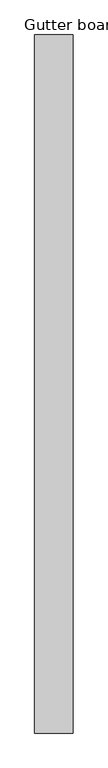
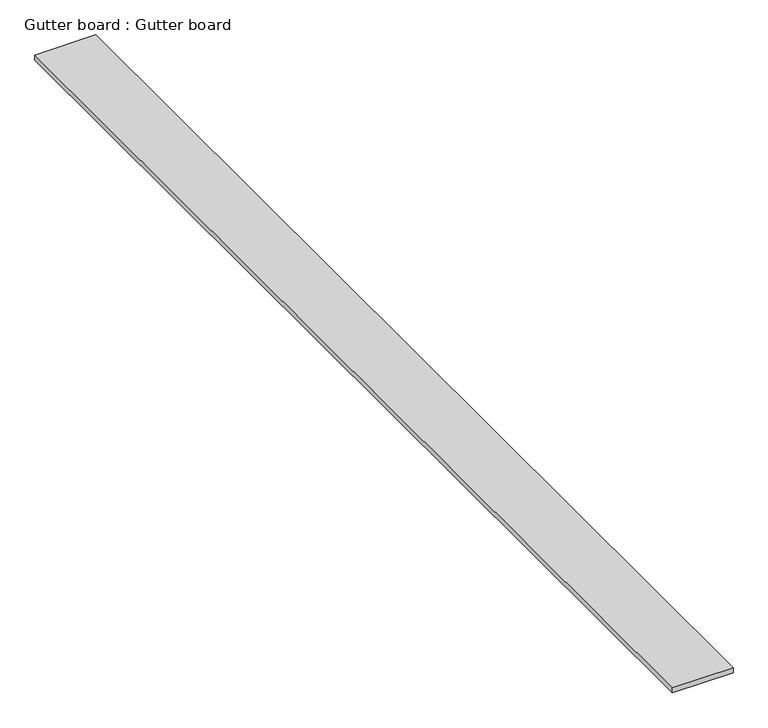
"""IFC4 building model written with IfcOpenShell, lengths in millimetres: proxy geometry, Gutter board : Gutter board."""

from ifc_helpers import new_model, si_unit, frame, origin, place, context, project, spatial, polyline, outline, extrude, source, transform, mapped, element, save


def gutter_board_gutter_board_3a1a2b82(model_context):
    return source(origin(), model_context, "Body", "SweptSolid", [
        extrude(outline(polyline([(-11600.8421646, -1339.0060744), (-11770.8421646, -1339.0060744), (-11770.8421646, 1750.9939256), (-11600.8421646, 1750.9939256), (-11600.8421646, -1339.0060744)])), frame((0.0, 0.0, 3784.2452806), z_axis=(0.0, 0.0, 1.0), x_axis=(1.0, 0.0, 0.0)), (0.0, 0.0, 1.0), 15.0),
    ])


if __name__ == "__main__":
    model = new_model("IFC4")
    model_context = context("Model", 3, world=origin())
    ifc_project = project(units=[si_unit("LENGTHUNIT", "METRE", prefix="MILLI")], contexts=[model_context])
    site = spatial("IfcSite", under=ifc_project)
    building = spatial("IfcBuilding", under=site)
    placement = place(None, origin())
    gutter_board_gutter_board_shape = gutter_board_gutter_board_3a1a2b82(model_context)
    element("IfcBuildingElementProxy", 1, Name="Gutter board : Gutter board", ObjectType="Gutter board : Gutter board", at=placement, inside=building, context=model_context, shape_type="MappedRepresentation", body=[
        mapped(gutter_board_gutter_board_shape, transform((0.0, 0.0, 0.0), x_axis=(1.0, 0.0, 0.0), y_axis=(0.0, 1.0, 0.0), z_axis=(0.0, 0.0, 1.0))),
    ])
    save(model, "model.ifc")
